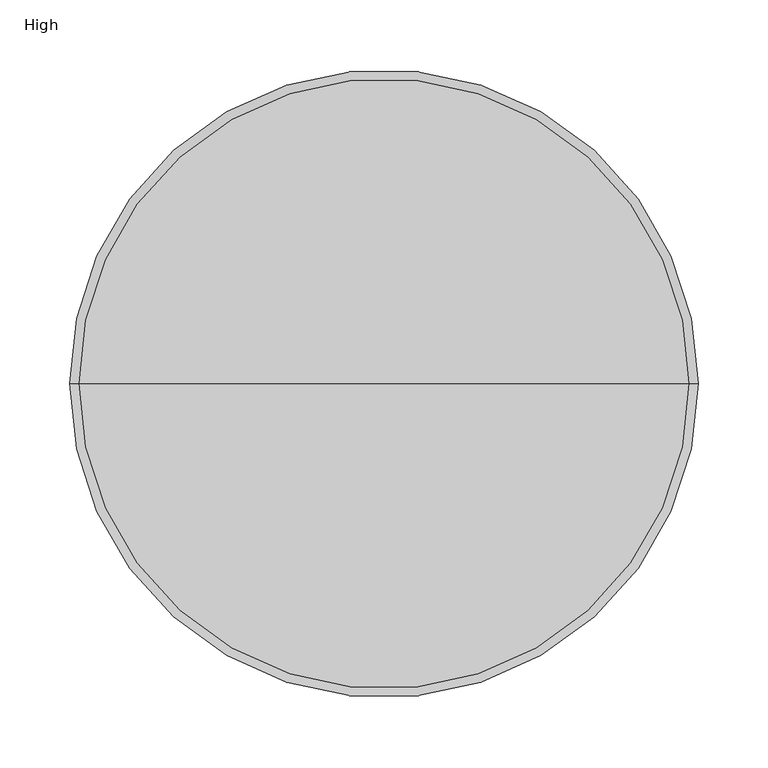
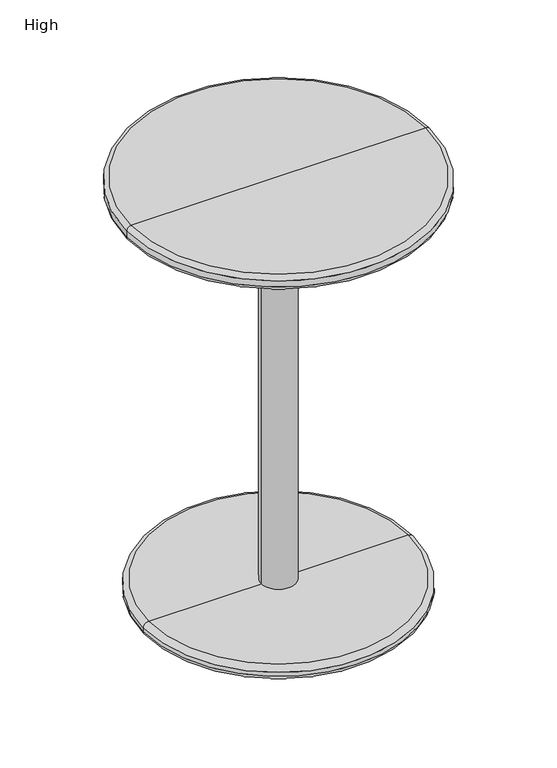
"""IFC4 building model written with IfcOpenShell, lengths in millimetres: furniture geometry, High."""

from ifc_helpers import new_model, si_unit, point, frame, origin, origin_2d, place, context, project, spatial, circle_curve, ellipse_curve, trimmed, segment, composite_curve, outline, extrude, source, transform, mapped, element, save
from ifc_brep_helpers import plane_surface, cylinder_surface, revolved_surface, advanced_brep


def high_660e0470(model_context):
    return source(origin(), model_context, "Body", "SolidModel", [
        extrude(outline(composite_curve([segment(trimmed(circle_curve(origin_2d(), 25.4), [point((-25.4, 0.0))], [point((25.4, 0.0))], False, "CARTESIAN"), True, "CONTINUOUS"), segment(trimmed(circle_curve(origin_2d(), 25.4), [point((25.4, 0.0))], [point((-25.4, 0.0))], False, "CARTESIAN"), True, "CONTINUOUS")], self_intersect=False)), frame((0.0, 0.0, 21.1840858), z_axis=(0.0, 0.0, 1.0), x_axis=(1.0, 0.0, 0.0)), (0.0, 0.0, 1.0), 606.921482),
        advanced_brep(
        [(200.3535767, 0.0, 13.5640858), (-200.3535767, 0.0, 13.5640858), (-192.7335767, 0.0, 21.1840858), (192.7335767, 0.0, 21.1840858), (200.3535767, 0.0, 7.62), (-200.3535767, 0.0, 7.62), (192.7335767, 0.0, 0.0), (-192.7335767, 0.0, 0.0), (0.0, 0.0, 0.0), (0.0, 0.0, 21.1840858)],
        [
            (0, 1, circle_curve(frame((0.0, 0.0, 13.5640858), z_axis=(0.0, 0.0, 1.0), x_axis=(-1.0, 0.0, 0.0)), 200.3535767)),
            (1, 2, circle_curve(frame((-192.7335767, 0.0, 13.5640858), z_axis=(0.0, 1.0, 0.0), x_axis=(1.0, 0.0, 0.0)), 7.62)),
            (2, 3, circle_curve(frame((0.0, 0.0, 21.1840858), z_axis=(0.0, 0.0, -1.0), x_axis=(-1.0, 0.0, 0.0)), 192.7335767)),
            (3, 0, circle_curve(frame((192.7335767, 0.0, 13.5640858), z_axis=(0.0, 1.0, 0.0), x_axis=(-1.0, 0.0, 0.0)), 7.62)),
            (1, 0, circle_curve(frame((0.0, 0.0, 13.5640858), z_axis=(0.0, 0.0, 1.0), x_axis=(-1.0, 0.0, 0.0)), 200.3535767)),
            (3, 2, circle_curve(frame((0.0, 0.0, 21.1840858), z_axis=(0.0, 0.0, -1.0), x_axis=(-1.0, 0.0, 0.0)), 192.7335767)),
            (4, 5, circle_curve(frame((0.0, 0.0, 7.62), z_axis=(0.0, 0.0, 1.0), x_axis=(-1.0, 0.0, 0.0)), 200.3535767)),
            (5, 1),
            (0, 4),
            (5, 4, circle_curve(frame((0.0, 0.0, 7.62), z_axis=(0.0, 0.0, 1.0), x_axis=(-1.0, 0.0, 0.0)), 200.3535767)),
            (6, 7, circle_curve(frame((0.0, 0.0, 0.0), z_axis=(0.0, 0.0, 1.0), x_axis=(-1.0, 0.0, 0.0)), 192.7335767)),
            (7, 5, circle_curve(frame((-192.7335767, 0.0, 7.62), z_axis=(0.0, 1.0, 0.0), x_axis=(1.0, 0.0, 0.0)), 7.62)),
            (4, 6, circle_curve(frame((192.7335767, 0.0, 7.62), z_axis=(0.0, 1.0, 0.0), x_axis=(-1.0, 0.0, 0.0)), 7.62)),
            (7, 6, circle_curve(frame((0.0, 0.0, 0.0), z_axis=(0.0, 0.0, 1.0), x_axis=(-1.0, 0.0, 0.0)), 192.7335767)),
            (8, 7),
            (6, 8),
            (2, 9),
            (9, 3),
        ],
        [
            revolved_surface(trimmed(ellipse_curve(frame((-192.7335767, 0.0, 13.5640858), z_axis=(0.0, -1.0, 0.0), x_axis=(1.0, 0.0, 0.0)), 7.62, 7.62), [point((-192.7335767, 0.0, 21.1840858))], [point((-200.3535767, 0.0, 13.5640858))], True, "CARTESIAN"), (0.0, 0.0, -266.7), (0.0, 0.0, -1.0)),
            cylinder_surface(frame((0.0, 0.0, -266.7), z_axis=(0.0, 0.0, -1.0), x_axis=(-1.0, 0.0, 0.0)), 200.3535767),
            revolved_surface(trimmed(ellipse_curve(frame((-192.7335767, 0.0, 7.62), z_axis=(0.0, -1.0, 0.0), x_axis=(1.0, 0.0, 0.0)), 7.62, 7.62), [point((-200.3535767, 0.0, 7.62))], [point((-192.7335767, 0.0, 0.0))], True, "CARTESIAN"), (0.0, 0.0, -266.7), (0.0, 0.0, -1.0)),
            plane_surface(frame((0.0, 0.0, 0.0), z_axis=(0.0, 0.0, -1.0), x_axis=(-1.0, 0.0, 0.0))),
            plane_surface(frame((0.0, 0.0, 21.1840858), z_axis=(0.0, 0.0, 1.0), x_axis=(-1.0, 0.0, 0.0))),
        ],
        [
            (0, [[1, 2, 3, 4]]),
            (0, [[5, -4, 6, -2]]),
            (1, [[7, 8, -1, 9]]),
            (1, [[10, -9, -5, -8]]),
            (2, [[11, 12, -7, 13]]),
            (2, [[14, -13, -10, -12]]),
            (3, [[15, -11, 16]]),
            (3, [[-16, -14, -15]]),
            (4, [[-3, 17, 18]]),
            (4, [[-6, -18, -17]]),
        ],
    ),
        advanced_brep(
        [(225.044, 0.0, 643.636), (-225.044, 0.0, 643.636), (-218.694, 0.0, 649.986), (218.694, 0.0, 649.986), (225.044, 0.0, 634.4555679), (-225.044, 0.0, 634.4555679), (218.694, 0.0, 628.1055679), (-218.694, 0.0, 628.1055679), (0.0, 0.0, 628.1055679), (0.0, 0.0, 649.986)],
        [
            (0, 1, circle_curve(frame((0.0, 0.0, 643.636), z_axis=(0.0, 0.0, 1.0), x_axis=(-1.0, 0.0, 0.0)), 225.044)),
            (1, 2, circle_curve(frame((-218.694, 0.0, 643.636), z_axis=(0.0, 1.0, 0.0), x_axis=(1.0, 0.0, 0.0)), 6.35)),
            (2, 3, circle_curve(frame((0.0, 0.0, 649.986), z_axis=(0.0, 0.0, -1.0), x_axis=(-1.0, 0.0, 0.0)), 218.694)),
            (3, 0, circle_curve(frame((218.694, 0.0, 643.636), z_axis=(0.0, 1.0, 0.0), x_axis=(-1.0, 0.0, 0.0)), 6.35)),
            (1, 0, circle_curve(frame((0.0, 0.0, 643.636), z_axis=(0.0, 0.0, 1.0), x_axis=(-1.0, 0.0, 0.0)), 225.044)),
            (3, 2, circle_curve(frame((0.0, 0.0, 649.986), z_axis=(0.0, 0.0, -1.0), x_axis=(-1.0, 0.0, 0.0)), 218.694)),
            (4, 5, circle_curve(frame((0.0, 0.0, 634.4555679), z_axis=(0.0, 0.0, 1.0), x_axis=(-1.0, 0.0, 0.0)), 225.044)),
            (5, 1),
            (0, 4),
            (5, 4, circle_curve(frame((0.0, 0.0, 634.4555679), z_axis=(0.0, 0.0, 1.0), x_axis=(-1.0, 0.0, 0.0)), 225.044)),
            (6, 7, circle_curve(frame((0.0, 0.0, 628.1055679), z_axis=(0.0, 0.0, 1.0), x_axis=(-1.0, 0.0, 0.0)), 218.694)),
            (7, 5, circle_curve(frame((-218.694, 0.0, 634.4555679), z_axis=(0.0, 1.0, 0.0), x_axis=(1.0, 0.0, 0.0)), 6.35)),
            (4, 6, circle_curve(frame((218.694, 0.0, 634.4555679), z_axis=(0.0, 1.0, 0.0), x_axis=(-1.0, 0.0, 0.0)), 6.35)),
            (7, 6, circle_curve(frame((0.0, 0.0, 628.1055679), z_axis=(0.0, 0.0, 1.0), x_axis=(-1.0, 0.0, 0.0)), 218.694)),
            (8, 7),
            (6, 8),
            (2, 9),
            (9, 3),
        ],
        [
            revolved_surface(trimmed(ellipse_curve(frame((-218.694, 0.0, 643.636), z_axis=(0.0, -1.0, 0.0), x_axis=(1.0, 0.0, 0.0)), 6.35, 6.35), [point((-218.694, 0.0, 649.986))], [point((-225.044, 0.0, 643.636))], True, "CARTESIAN"), (0.0, 0.0, 732.536), (0.0, 0.0, -1.0)),
            cylinder_surface(frame((0.0, 0.0, 732.536), z_axis=(0.0, 0.0, -1.0), x_axis=(-1.0, 0.0, 0.0)), 225.044),
            revolved_surface(trimmed(ellipse_curve(frame((-218.694, 0.0, 634.4555679), z_axis=(0.0, -1.0, 0.0), x_axis=(1.0, 0.0, 0.0)), 6.35, 6.35), [point((-225.044, 0.0, 634.4555679))], [point((-218.694, 0.0, 628.1055679))], True, "CARTESIAN"), (0.0, 0.0, 732.536), (0.0, 0.0, -1.0)),
            plane_surface(frame((0.0, 0.0, 628.1055679), z_axis=(0.0, 0.0, -1.0), x_axis=(-1.0, 0.0, 0.0))),
            plane_surface(frame((0.0, 0.0, 649.986), z_axis=(0.0, 0.0, 1.0), x_axis=(-1.0, 0.0, 0.0))),
        ],
        [
            (0, [[1, 2, 3, 4]]),
            (0, [[5, -4, 6, -2]]),
            (1, [[7, 8, -1, 9]]),
            (1, [[10, -9, -5, -8]]),
            (2, [[11, 12, -7, 13]]),
            (2, [[14, -13, -10, -12]]),
            (3, [[15, -11, 16]]),
            (3, [[-16, -14, -15]]),
            (4, [[-3, 17, 18]]),
            (4, [[-6, -18, -17]]),
        ],
    ),
    ])


if __name__ == "__main__":
    model = new_model("IFC4")
    model_context = context("Model", 3, world=origin())
    ifc_project = project(units=[si_unit("LENGTHUNIT", "METRE", prefix="MILLI")], contexts=[model_context])
    site = spatial("IfcSite", under=ifc_project)
    building = spatial("IfcBuilding", under=site)
    placement = place(None, origin())
    high_shape = high_660e0470(model_context)
    element("IfcFurniture", 1, ObjectType="High", at=placement, inside=building, context=model_context, shape_type="MappedRepresentation", body=[
        mapped(high_shape, transform((0.0, 0.0, 0.0), x_axis=(1.0, 0.0, 0.0), y_axis=(0.0, 1.0, 0.0), z_axis=(0.0, 0.0, 1.0))),
    ])
    save(model, "model.ifc")
